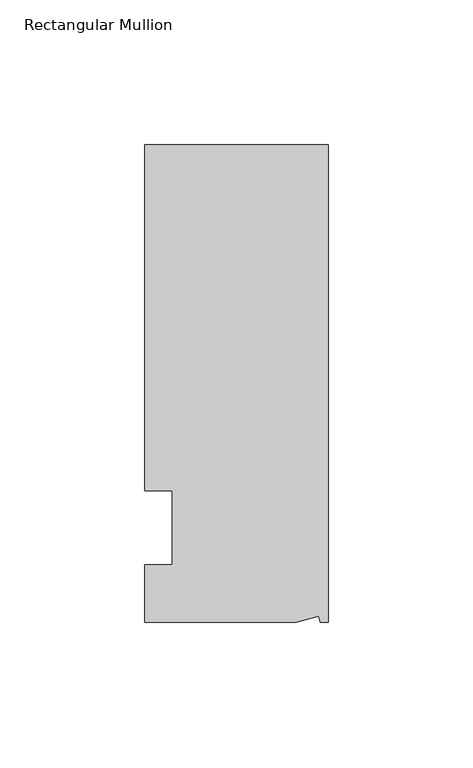
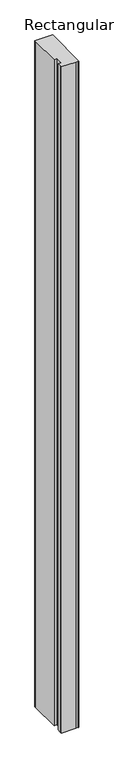
"""IFC4 building model written with IfcOpenShell, lengths in millimetres: member geometry, Rectangular Mullion."""

from ifc_helpers import new_model, si_unit, origin, place, context, project, spatial, faceted_brep, source, transform, mapped, element, save


def rectangular_mullion_e5b4994c(model_context):
    return source(origin(), model_context, "Body", "Brep", [
        faceted_brep([(0.0, 132.5561012, 0.0), (-63.5, 132.5561012, 0.0), (-63.5, 126.2061012, 0.0), (-63.5, 12.8488281, 0.0), (-53.975, 12.8488281, 0.0), (-53.975, -12.7, 0.0), (-63.5, -12.7, 0.0), (-63.5, -26.1938988, 0.0), (-63.5076469, -32.5438988, 0.0), (-11.1125, -32.5438988, 0.0), (-3.3223696, -30.4565397, 0.0), (-2.7630634, -32.5438988, 0.0), (0.0, -32.5438988, 0.0), (0.0, 132.5561012, -2540.0), (0.0, -32.5438988, -2540.0), (-2.7630634, -32.5438988, -2540.0), (-3.3223696, -30.4565397, -2540.0), (-11.1125, -32.5438988, -2540.0), (-63.5076469, -32.5438988, -2540.0), (-63.5076469, -26.1938988, -2540.0), (-63.5, -12.7, -2540.0), (-53.975, -12.7, -2540.0), (-53.975, 12.8488281, -2540.0), (-63.5, 12.8488281, -2540.0), (-63.5, 126.2061012, -2540.0), (-63.5, 132.5561012, -2540.0)], [[[0, 1, 2, 3, 4, 5, 6, 7, 8, 9, 10, 11, 12]], [[13, 14, 15, 16, 17, 18, 19, 20, 21, 22, 23, 24, 25]], [[0, 12, 14, 13]], [[1, 0, 13, 25]], [[3, 2, 24, 23]], [[4, 3, 23, 22]], [[5, 4, 22, 21]], [[6, 5, 21, 20]], [[7, 6, 20, 19]], [[9, 8, 18, 17]], [[10, 9, 17, 16]], [[11, 10, 16, 15]], [[12, 11, 15, 14]], [[2, 1, 25, 24]], [[8, 7, 19, 18]]]),
    ])


if __name__ == "__main__":
    model = new_model("IFC4")
    model_context = context("Model", 3, world=origin())
    ifc_project = project(units=[si_unit("LENGTHUNIT", "METRE", prefix="MILLI")], contexts=[model_context])
    site = spatial("IfcSite", under=ifc_project)
    building = spatial("IfcBuilding", under=site)
    placement = place(None, origin())
    rectangular_mullion_shape = rectangular_mullion_e5b4994c(model_context)
    element("IfcMember", 1, ObjectType="Rectangular Mullion", at=placement, inside=building, context=model_context, shape_type="MappedRepresentation", body=[
        mapped(rectangular_mullion_shape, transform((0.0, 0.0, 0.0), x_axis=(1.0, 0.0, 0.0), y_axis=(0.0, 1.0, 0.0), z_axis=(0.0, 0.0, 1.0))),
    ])
    save(model, "model.ifc")
